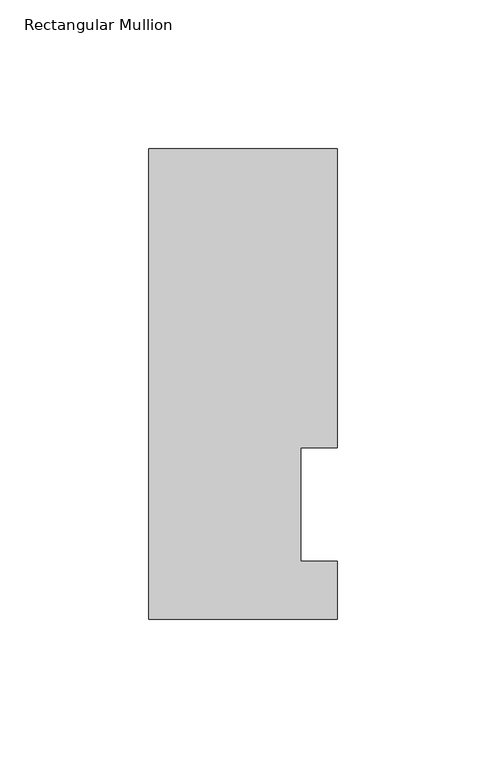
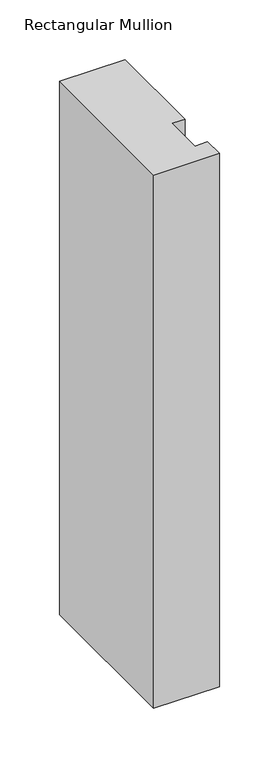
"""IFC4 building model written with IfcOpenShell, lengths in millimetres: member geometry, Rectangular Mullion."""

import ifcopenshell
import ifcopenshell.guid

model = None  # the IFC model being written
_history = None  # IfcOwnerHistory: only IFC2X3 demands one
_inside = {}  # id of a spatial element -> (the spatial element, [elements in it])
_under = {}  # id of a project, library or spatial element -> (it, [spatial elements below it])
_declared = {}  # id of a project -> (the project, [libraries it declares])
_typed = {}  # id of a type object -> (the type object, [elements of that type])
_made_of = {}  # id of a material, layer set ... -> (it, [elements and type objects made of it])


def new_model(schema):
    """Start an empty IFC model of exactly this schema.

    Asked for "IFC4X3", IfcOpenShell would pick the latest addendum, in which some entities
    have other attributes; the version numbers below select the first issue.
    IFC2X3 requires an IfcOwnerHistory on every rooted entity: one is made here for all.
    """
    global model, _history
    if schema == "IFC4X3":
        model = ifcopenshell.file(schema_version=(4, 3, 0, 0))
    else:
        model = ifcopenshell.file(schema=schema)
    _inside.clear()
    _under.clear()
    _declared.clear()
    _typed.clear()
    _made_of.clear()
    _history = None
    if model.schema == "IFC2X3":
        org = make("IfcOrganization", Name="unknown")
        user = make(
            "IfcPersonAndOrganization",
            ThePerson=make("IfcPerson", FamilyName="unknown"),
            TheOrganization=org,
        )
        app = make(
            "IfcApplication",
            ApplicationDeveloper=org,
            Version="unknown",
            ApplicationFullName="unknown",
            ApplicationIdentifier="unknown",
        )
        _history = make(
            "IfcOwnerHistory",
            OwningUser=user,
            OwningApplication=app,
            ChangeAction="ADDED",
            CreationDate=0,
        )
    return model


def make(cls, **values):
    """One entity of the class cls with the attributes given. An attribute that is None is left unset."""
    return model.create_entity(
        cls, **{name: value for name, value in values.items() if value is not None}
    )


def rooted(cls, **values):
    """An entity with a GlobalId (a new one), such as an element, a storey or a relation."""
    return make(cls, GlobalId=ifcopenshell.guid.new(), OwnerHistory=_history, **values)


def si_unit(unit_type, name, prefix=None):
    """IfcSIUnit, for example si_unit("LENGTHUNIT", "METRE", prefix="MILLI")."""
    return make("IfcSIUnit", UnitType=unit_type, Prefix=prefix, Name=name)


def assignment(units):
    """IfcUnitAssignment: the units of a project."""
    return None if units is None else make("IfcUnitAssignment", Units=units)


def point(xyz):
    """IfcCartesianPoint."""
    return None if xyz is None else make("IfcCartesianPoint", Coordinates=xyz)


def direction(xyz):
    """IfcDirection."""
    return None if xyz is None else make("IfcDirection", DirectionRatios=xyz)


def frame(location, z_axis=None, x_axis=None):
    """IfcAxis2Placement3D, a coordinate frame: its origin and axes. An axis left out is left unset."""
    return make(
        "IfcAxis2Placement3D",
        Location=point(location),
        Axis=direction(z_axis),
        RefDirection=direction(x_axis),
    )


def origin():
    """The frame at (0, 0, 0) with its axes left unset."""
    return frame((0.0, 0.0, 0.0))


def place(relative_to, where):
    """IfcLocalPlacement: puts the frame where relative to a parent placement (None: the world)."""
    return make(
        "IfcLocalPlacement", PlacementRelTo=relative_to, RelativePlacement=where
    )


def context(
    kind, dimensions, precision=None, world=None, true_north=None, identifier=None
):
    """IfcGeometricRepresentationContext, for example the 3D "Model" context."""
    return make(
        "IfcGeometricRepresentationContext",
        ContextIdentifier=identifier,
        ContextType=kind,
        CoordinateSpaceDimension=dimensions,
        Precision=precision,
        WorldCoordinateSystem=world,
        TrueNorth=true_north,
    )


def project(units=None, contexts=None):
    """IfcProject with its units and contexts."""
    return rooted(
        "IfcProject",
        Name="project",
        RepresentationContexts=contexts,
        UnitsInContext=assignment(units),
    )


def spatial(cls, under=None, at=None, **own):
    """A site, building, storey or space (cls), placed at a placement, below another one or the project."""
    s = rooted(cls, ObjectPlacement=at, **own)
    if under is not None:
        _under.setdefault(under.id(), (under, []))[1].append(s)
    return s


def polyline(points):
    """IfcPolyline through the points."""
    return make("IfcPolyline", Points=[point(p) for p in points])


def outline(outer, holes=None, kind="AREA"):
    """IfcArbitraryClosedProfileDef: a profile drawn as a closed curve; with holes, ...WithVoids."""
    if holes is None:
        return make("IfcArbitraryClosedProfileDef", ProfileType=kind, OuterCurve=outer)
    return make(
        "IfcArbitraryProfileDefWithVoids",
        ProfileType=kind,
        OuterCurve=outer,
        InnerCurves=holes,
    )


def extrude(swept, where, along, depth):
    """IfcExtrudedAreaSolid: the profile swept, set in the frame where, extruded along a direction by depth."""
    return make(
        "IfcExtrudedAreaSolid",
        SweptArea=swept,
        Position=where,
        ExtrudedDirection=direction(along),
        Depth=depth,
    )


def shape(context_of_items, identifier, shape_type, items):
    """IfcShapeRepresentation: the items that make up one representation, for example the "Body"."""
    return make(
        "IfcShapeRepresentation",
        ContextOfItems=context_of_items,
        RepresentationIdentifier=identifier,
        RepresentationType=shape_type,
        Items=items,
    )


def source(mapping_origin, context_of_items, identifier, shape_type, items):
    """IfcRepresentationMap: a shape defined once, which mapped items show again and again."""
    return make(
        "IfcRepresentationMap",
        MappingOrigin=mapping_origin,
        MappedRepresentation=shape(context_of_items, identifier, shape_type, items),
    )


def transform(
    local_origin,
    x_axis=None,
    y_axis=None,
    z_axis=None,
    scale=None,
    scale2=None,
    scale3=None,
    uniform=True,
):
    """IfcCartesianTransformationOperator3D, or its non-uniform kind. x_axis, y_axis, z_axis: its Axis1, 2, 3."""
    if uniform:
        return make(
            "IfcCartesianTransformationOperator3D",
            Axis1=direction(x_axis),
            Axis2=direction(y_axis),
            LocalOrigin=point(local_origin),
            Scale=scale,
            Axis3=direction(z_axis),
        )
    return make(
        "IfcCartesianTransformationOperator3DnonUniform",
        Axis1=direction(x_axis),
        Axis2=direction(y_axis),
        LocalOrigin=point(local_origin),
        Scale=scale,
        Axis3=direction(z_axis),
        Scale2=scale2,
        Scale3=scale3,
    )


def mapped(mapping_source, mapping_target):
    """IfcMappedItem: shows the shape of a source again, moved by a transform."""
    return make(
        "IfcMappedItem", MappingSource=mapping_source, MappingTarget=mapping_target
    )


def made_of(thing, what):
    """Note that an element or type object is made of a material, layer set ...; save() writes the relation."""
    if what is not None:
        _made_of.setdefault(what.id(), (what, []))[1].append(thing)
    return thing


def element(
    cls,
    number,
    at=None,
    inside=None,
    cuts=None,
    type_object=None,
    material=None,
    context=None,
    identifier="Body",
    shape_type=None,
    held_by="IfcProductDefinitionShape",
    body=None,
    shapes=None,
    **own,
):
    """One element of the class cls, such as IfcWall. Its Tag is "e" and its number.

    at: its placement. inside: the storey or other place that contains it. cuts: it is an
    opening in that element (IfcRelVoidsElement). A single representation is given by context,
    identifier, shape_type and body (its items); several are given by shapes. held_by: the class
    of the entity that holds the representations. save() writes the other relations.
    """
    e = rooted(cls, Tag="e%d" % number, ObjectPlacement=at, **own)
    if body is not None:
        shapes = [shape(context, identifier, shape_type, body)]
    if shapes is not None:
        e.Representation = make(held_by, Representations=shapes)
    if inside is not None:
        _inside.setdefault(inside.id(), (inside, []))[1].append(e)
    if cuts is not None:
        rooted(
            "IfcRelVoidsElement", RelatingBuildingElement=cuts, RelatedOpeningElement=e
        )
    if type_object is not None:
        _typed.setdefault(type_object.id(), (type_object, []))[1].append(e)
    return made_of(e, material)


def aggregate(whole, parts):
    """IfcRelAggregates: a whole, such as a stair, and the parts it consists of."""
    return rooted("IfcRelAggregates", RelatingObject=whole, RelatedObjects=parts)


def save(model, path):
    """Write the relations noted so far, then the file.

    IfcRelAggregates (storeys below a building ...), IfcRelContainedInSpatialStructure (elements
    in a storey), IfcRelDefinesByType, IfcRelAssociatesMaterial and IfcRelDeclares: one each for
    every whole, place, type object, material and project.
    """
    for whole, parts in _under.values():
        aggregate(whole, parts)
    for where, things in _inside.values():
        rooted(
            "IfcRelContainedInSpatialStructure",
            RelatedElements=things,
            RelatingStructure=where,
        )
    for kind, things in _typed.values():
        rooted("IfcRelDefinesByType", RelatedObjects=things, RelatingType=kind)
    for what, things in _made_of.values():
        rooted("IfcRelAssociatesMaterial", RelatedObjects=things, RelatingMaterial=what)
    for by, libraries in _declared.values():
        rooted("IfcRelDeclares", RelatingContext=by, RelatedDefinitions=libraries)
    model.write(path)


def rectangular_mullion_79972fad(model_context):
    return source(origin(), model_context, "Body", "SweptSolid", [
        extrude(outline(polyline([(-12.3418395, 57.94375), (-12.3418395, 19.84375), (0.0, 19.84375), (0.0, 0.31115), (-63.5, 0.31115), (-63.5, 158.62935), (0.0, 158.62935), (0.0, 57.94375), (-12.3418395, 57.94375)])), frame((0.0, 0.0, -546.1), z_axis=(0.0, 0.0, 1.0), x_axis=(1.0, 0.0, 0.0)), (0.0, 0.0, 1.0), 546.1),
    ])


if __name__ == "__main__":
    model = new_model("IFC4")
    model_context = context("Model", 3, world=origin())
    ifc_project = project(units=[si_unit("LENGTHUNIT", "METRE", prefix="MILLI")], contexts=[model_context])
    site = spatial("IfcSite", under=ifc_project)
    building = spatial("IfcBuilding", under=site)
    placement = place(None, origin())
    rectangular_mullion_shape = rectangular_mullion_79972fad(model_context)
    element("IfcMember", 1, ObjectType="Rectangular Mullion", at=placement, inside=building, context=model_context, shape_type="MappedRepresentation", body=[
        mapped(rectangular_mullion_shape, transform((0.0, 0.0, 0.0), x_axis=(1.0, 0.0, 0.0), y_axis=(0.0, 1.0, 0.0), z_axis=(0.0, 0.0, 1.0))),
    ])
    save(model, "model.ifc")
